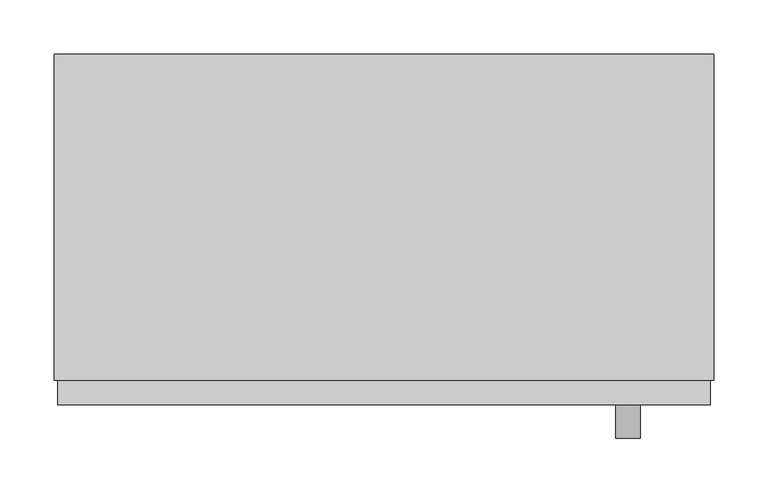
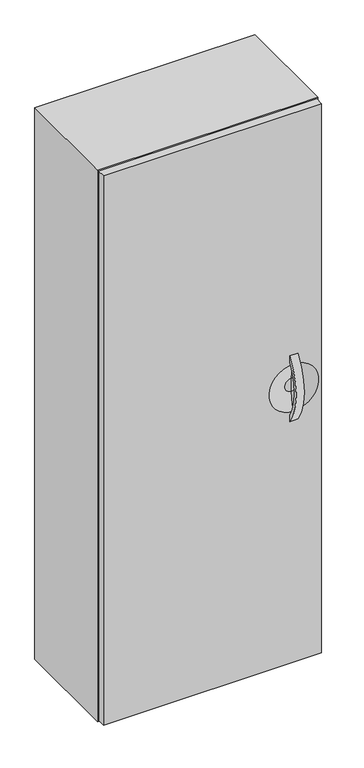
"""IFC4 building model written with IfcOpenShell, lengths in millimetres: furniture geometry."""

from ifc_helpers import new_model, si_unit, point, frame, frame_2d, origin, place, context, project, spatial, polyline, circle_curve, ellipse_curve, trimmed, segment, composite_curve, outline, extrude, source, transform, mapped, element, save
from ifc_brep_helpers import plane_surface, revolved_surface, advanced_brep


def furniture_ead88430(model_context):
    return source(origin(), model_context, "Body", "SolidModel", [
        extrude(outline(composite_curve([segment(trimmed(circle_curve(frame_2d((-190.9255705, 1312.8960115)), 164.0076795), [point((-323.977, 1217.0010896))], [point((-323.977, 1408.7909333))], False, "CARTESIAN"), True, "CONTINUOUS"), segment(polyline([(-323.977, 1408.7909333), (-323.977, 1390.1310792)]), True, "CONTINUOUS"), segment(trimmed(circle_curve(frame_2d((-192.7296017, 1312.8976127)), 152.2855473), [point((-323.977, 1390.1310792))], [point((-323.977, 1235.6641461))], True, "CARTESIAN"), True, "CONTINUOUS"), segment(polyline([(-323.977, 1235.6641461), (-323.977, 1217.0010896)]), True, "CONTINUOUS")], self_intersect=False)), frame((233.0502049, 0.0, 0.0), z_axis=(1.0, 0.0, 0.0), x_axis=(0.0, 1.0, 0.0)), (0.0, 0.0, 1.0), 22.225),
        advanced_brep(
        [(-282.8872951, -301.2559062, 2116.1375), (-282.8872951, -323.977, 2116.1375), (320.3627049, -323.977, 2116.1375), (320.3627049, -301.2559062, 2116.1375), (-282.8872951, -301.2559062, 509.6867188), (320.3627049, -301.2559062, 509.6867188), (320.3627049, -323.977, 509.6867188), (-282.8872951, -323.977, 509.6867188), (244.1627049, -323.977, 1381.4731846), (244.1627049, -323.977, 1244.3188383), (244.1627049, -311.3273482, 1293.8482279), (244.1627049, -311.3273482, 1331.943795), (244.1627049, -311.3273482, 1312.8960115)],
        [
            (0, 1),
            (1, 2),
            (2, 3),
            (3, 0),
            (4, 5),
            (5, 6),
            (6, 7),
            (7, 4),
            (0, 4),
            (7, 1),
            (6, 2),
            (8, 9, circle_curve(frame((244.1627049, -323.977, 1312.8960115), z_axis=(0.0, 1.0, 0.0), x_axis=(0.0, 0.0, 1.0)), 68.5771731)),
            (9, 8, circle_curve(frame((244.1627049, -323.977, 1312.8960115), z_axis=(0.0, 1.0, 0.0), x_axis=(0.0, 0.0, 1.0)), 68.5771731)),
            (5, 3),
            (10, 9, circle_curve(frame((244.1627049, -432.1044866, 1298.3142972), z_axis=(-1.0, 0.0, 0.0), x_axis=(0.0, -1.0, 0.0)), 120.8596829)),
            (8, 11, circle_curve(frame((244.1627049, -432.1044866, 1327.4777257), z_axis=(-1.0, 0.0, 0.0), x_axis=(0.0, -1.0, 0.0)), 120.8596829)),
            (11, 10, circle_curve(frame((244.1627049, -311.3273482, 1312.8960115), z_axis=(0.0, 1.0, 0.0), x_axis=(0.0, 0.0, 1.0)), 19.0477836)),
            (10, 11, circle_curve(frame((244.1627049, -311.3273482, 1312.8960115), z_axis=(0.0, 1.0, 0.0), x_axis=(0.0, 0.0, 1.0)), 19.0477836)),
            (11, 12),
            (12, 10),
        ],
        [
            plane_surface(frame((-282.8872951, -323.977, 2116.1375), z_axis=(0.0, 0.0, 1.0), x_axis=(0.0, -1.0, 0.0))),
            plane_surface(frame((-282.8872951, -323.977, 509.6867188), z_axis=(0.0, 0.0, -1.0), x_axis=(0.0, 1.0, 0.0))),
            plane_surface(frame((-282.8872951, -301.2559062, 2116.1375), z_axis=(-1.0, 0.0, 0.0), x_axis=(0.0, 0.0, -1.0))),
            plane_surface(frame((-282.8872951, -323.977, 2116.1375), z_axis=(0.0, -1.0, 0.0), x_axis=(0.0, 0.0, -1.0))),
            plane_surface(frame((320.3627049, -323.977, 2116.1375), z_axis=(1.0, 0.0, 0.0), x_axis=(0.0, 0.0, -1.0))),
            plane_surface(frame((320.3627049, -301.2559062, 2116.1375), z_axis=(0.0, 1.0, 0.0), x_axis=(0.0, 0.0, -1.0))),
            revolved_surface(trimmed(ellipse_curve(frame((244.1627049, -432.1044866, 1327.4777257), z_axis=(1.0, 0.0, 0.0), x_axis=(0.0, -1.0, 0.0)), 120.8596829, 120.8596829), [point((244.1627049, -311.3273482, 1331.943795))], [point((244.1627049, -323.977, 1381.4731846))], True, "CARTESIAN"), (244.1627049, -311.3273482, 1312.8960115), (0.0, 1.0, 0.0)),
            plane_surface(frame((244.1627049, -311.3273482, 1312.8960115), z_axis=(0.0, -1.0, 0.0), x_axis=(0.0, 0.0, 1.0))),
        ],
        [
            (0, [[1, 2, 3, 4]]),
            (1, [[5, 6, 7, 8]]),
            (2, [[-1, 9, -8, 10]]),
            (3, [[-2, -10, -7, 11], [12, 13]]),
            (4, [[-3, -11, -6, 14]]),
            (5, [[-4, -14, -5, -9]]),
            (6, [[15, -12, 16, 17]]),
            (6, [[-15, 18, -16, -13]]),
            (7, [[-17, 19, 20]]),
            (7, [[-18, -20, -19]]),
        ],
    ),
        extrude(outline(polyline([(-286.0622951, 0.0), (323.5377049, 0.0), (323.5377049, -301.2559062), (-286.0622951, -301.2559062), (-286.0622951, 0.0)])), frame((0.0, 0.0, 506.5117187), z_axis=(0.0, 0.0, 1.0), x_axis=(1.0, 0.0, 0.0)), (0.0, 0.0, 1.0), 1612.8007813),
    ])


if __name__ == "__main__":
    model = new_model("IFC4")
    model_context = context("Model", 3, world=origin())
    ifc_project = project(units=[si_unit("LENGTHUNIT", "METRE", prefix="MILLI")], contexts=[model_context])
    site = spatial("IfcSite", under=ifc_project)
    building = spatial("IfcBuilding", under=site)
    placement = place(None, origin())
    furniture_shape = furniture_ead88430(model_context)
    element("IfcFurniture", 1, at=placement, inside=building, context=model_context, shape_type="MappedRepresentation", body=[
        mapped(furniture_shape, transform((0.0, 0.0, 0.0), x_axis=(1.0, 0.0, 0.0), y_axis=(0.0, 1.0, 0.0), z_axis=(0.0, 0.0, 1.0))),
    ])
    save(model, "model.ifc")
